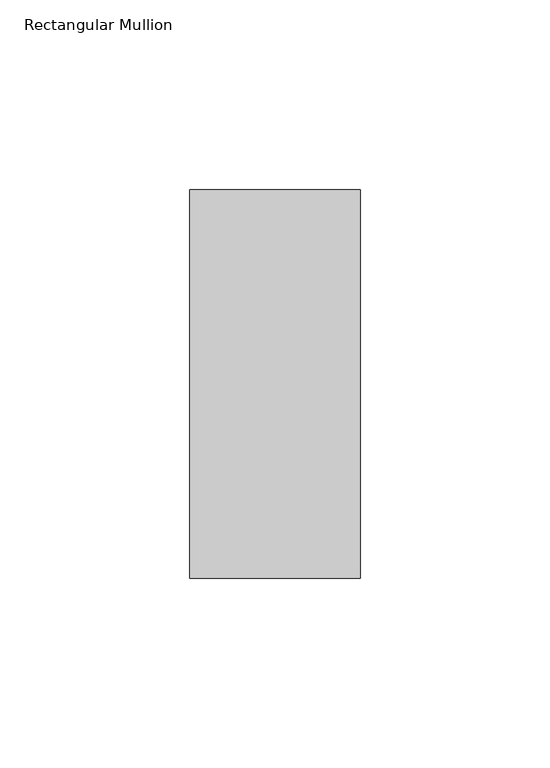
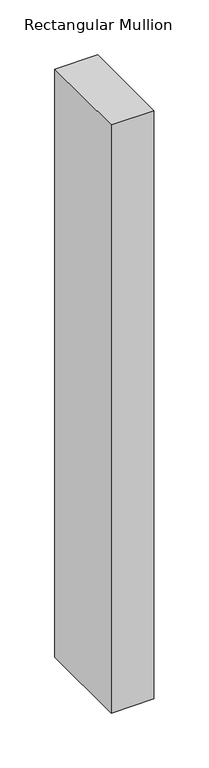
"""IFC4 building model written with IfcOpenShell, lengths in millimetres: member geometry, Rectangular Mullion."""

from ifc_helpers import new_model, si_unit, frame, origin, place, context, project, spatial, polyline, outline, extrude, source, transform, mapped, element, save


def rectangular_mullion_6a57c70c(model_context):
    return source(origin(), model_context, "Body", "SweptSolid", [
        extrude(outline(polyline([(0.0, 66.73125), (0.0, -35.73125), (-45.0, -35.73125), (-45.0, 66.73125), (0.0, 66.73125)])), frame((0.0, 0.0, -654.1158203), z_axis=(0.0, 0.0, 1.0), x_axis=(1.0, 0.0, 0.0)), (0.0, 0.0, 1.0), 654.1158203),
    ])


if __name__ == "__main__":
    model = new_model("IFC4")
    model_context = context("Model", 3, world=origin())
    ifc_project = project(units=[si_unit("LENGTHUNIT", "METRE", prefix="MILLI")], contexts=[model_context])
    site = spatial("IfcSite", under=ifc_project)
    building = spatial("IfcBuilding", under=site)
    placement = place(None, origin())
    rectangular_mullion_shape = rectangular_mullion_6a57c70c(model_context)
    element("IfcMember", 1, ObjectType="Rectangular Mullion", at=placement, inside=building, context=model_context, shape_type="MappedRepresentation", body=[
        mapped(rectangular_mullion_shape, transform((0.0, 0.0, 0.0), x_axis=(1.0, 0.0, 0.0), y_axis=(0.0, 1.0, 0.0), z_axis=(0.0, 0.0, 1.0))),
    ])
    save(model, "model.ifc")
